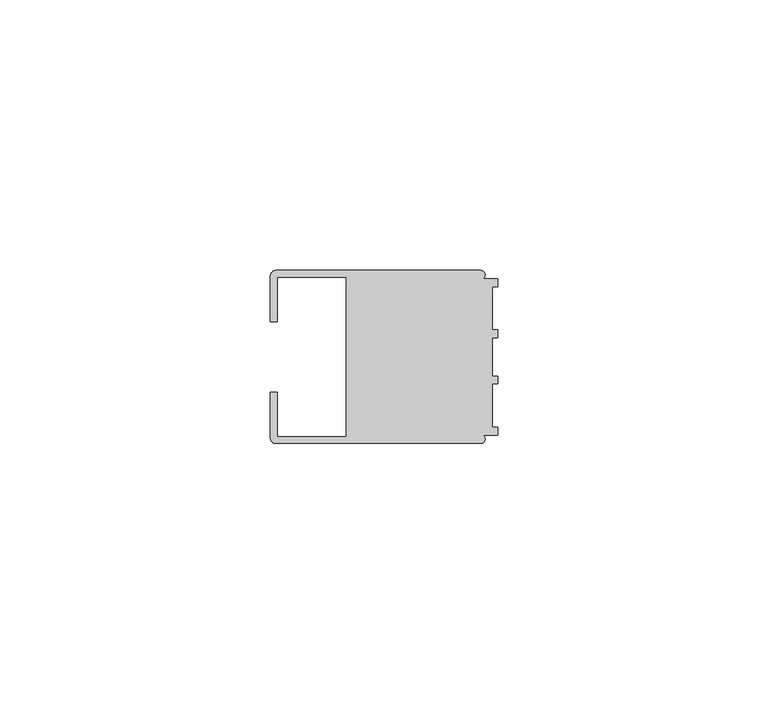
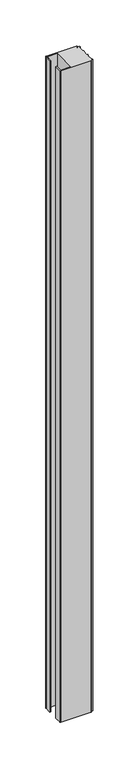
"""IFC4 building model written with IfcOpenShell, lengths in millimetres: member geometry."""

from ifc_helpers import new_model, si_unit, point, frame, frame_2d, origin, place, context, project, spatial, polyline, circle_curve, trimmed, segment, composite_curve, outline, extrude, source, transform, mapped, element, save


def member_cd8000af(model_context):
    return source(origin(), model_context, "Body", "SweptSolid", [
        extrude(outline(composite_curve([segment(polyline([(-42.0, -6.4992596), (-40.7495396, -6.4992596), (-40.7495396, -14.748825), (-28.0, -14.748825), (-28.0, 14.7490791), (-40.7495396, 14.7490791), (-40.7495396, 6.4995138), (-42.0, 6.4995138), (-42.0, 14.9988146)]), True, "CONTINUOUS"), segment(trimmed(circle_curve(frame_2d((-40.9988146, 14.9988146)), 1.0011854), [point((-42.0, 14.9988146))], [point((-40.9988146, 16.0))], False, "CARTESIAN"), True, "CONTINUOUS"), segment(polyline([(-40.9988146, 16.0), (-3.1117213, 16.0)]), True, "CONTINUOUS"), segment(trimmed(circle_curve(frame_2d((-3.1117213, 15.2000428)), 0.7999572), [point((-3.1117213, 16.0))], [point((-2.7237818, 14.5004469))], False, "CARTESIAN"), True, "CONTINUOUS"), segment(polyline([(-2.7237818, 14.5004469), (0.0, 14.5004469), (0.0, 13.0002136), (-0.999267, 13.0002136), (-0.999267, 5.0005709), (0.0, 5.0005709), (0.0, 3.5391588), (-0.999267, 3.5001879), (-0.999267, -3.5001879), (0.0, -3.5378881), (0.0, -4.9993001), (-0.999267, -4.9993001), (-0.999267, -12.9993664), (0.0, -12.9993664), (0.0, -14.4989182), (-2.7260256, -14.4989182)]), True, "CONTINUOUS"), segment(trimmed(circle_curve(frame_2d((-3.1117577, -15.2001372)), 0.8003107), [point((-2.7260256, -14.4989182))], [point((-3.1385263, -16.0))], False, "CARTESIAN"), True, "CONTINUOUS"), segment(polyline([(-3.1385263, -16.0), (-40.998921, -16.0)]), True, "CONTINUOUS"), segment(trimmed(circle_curve(frame_2d((-40.998921, -14.998921)), 1.001079), [point((-40.998921, -16.0))], [point((-42.0, -14.998921))], False, "CARTESIAN"), True, "CONTINUOUS"), segment(polyline([(-42.0, -14.998921), (-42.0, -6.4992596)]), True, "CONTINUOUS")], self_intersect=False)), frame((0.0, 0.0, -872.7561965), z_axis=(0.0, 0.0, 1.0), x_axis=(1.0, 0.0, 0.0)), (0.0, 0.0, 1.0), 872.7561965),
    ])


if __name__ == "__main__":
    model = new_model("IFC4")
    model_context = context("Model", 3, world=origin())
    ifc_project = project(units=[si_unit("LENGTHUNIT", "METRE", prefix="MILLI")], contexts=[model_context])
    site = spatial("IfcSite", under=ifc_project)
    building = spatial("IfcBuilding", under=site)
    placement = place(None, origin())
    member_shape = member_cd8000af(model_context)
    element("IfcMember", 1, at=placement, inside=building, context=model_context, shape_type="MappedRepresentation", body=[
        mapped(member_shape, transform((0.0, 0.0, 0.0), x_axis=(1.0, 0.0, 0.0), y_axis=(0.0, 1.0, 0.0), z_axis=(0.0, 0.0, 1.0))),
    ])
    save(model, "model.ifc")
